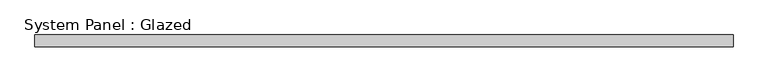
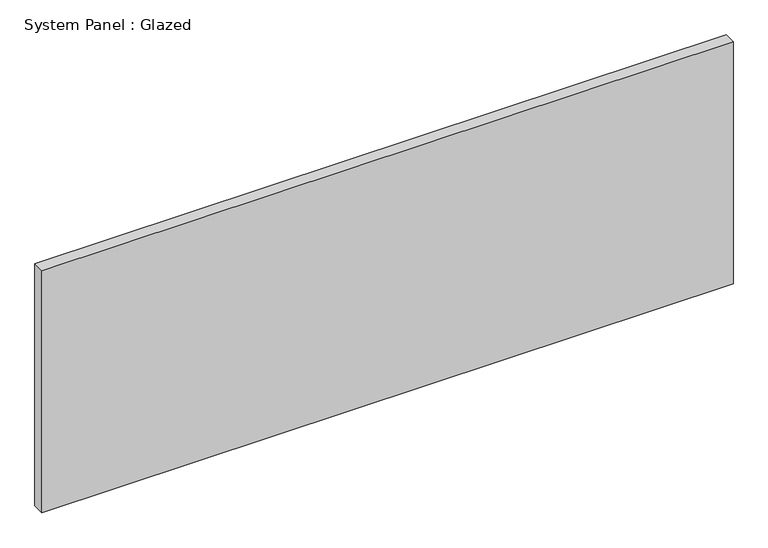
"""IFC4 building model written with IfcOpenShell, lengths in millimetres: plate geometry, System Panel : Glazed."""

from ifc_helpers import new_model, si_unit, origin, origin_with_axes, place, context, project, spatial, polyline, outline, extrude, source, transform, mapped, element, save


def system_panel_glazed_73f729df(model_context):
    return source(origin(), model_context, "Body", "SweptSolid", [
        extrude(outline(polyline([(746.125, -12.7), (-746.125, -12.7), (-746.125, 12.7), (746.125, 12.7), (746.125, -12.7)])), origin_with_axes(), (0.0, 0.0, 1.0), 552.45),
    ])


if __name__ == "__main__":
    model = new_model("IFC4")
    model_context = context("Model", 3, world=origin())
    ifc_project = project(units=[si_unit("LENGTHUNIT", "METRE", prefix="MILLI")], contexts=[model_context])
    site = spatial("IfcSite", under=ifc_project)
    building = spatial("IfcBuilding", under=site)
    placement = place(None, origin())
    system_panel_glazed_shape = system_panel_glazed_73f729df(model_context)
    element("IfcPlate", 1, ObjectType="System Panel : Glazed", at=placement, inside=building, context=model_context, shape_type="MappedRepresentation", body=[
        mapped(system_panel_glazed_shape, transform((0.0, 0.0, 0.0), x_axis=(1.0, 0.0, 0.0), y_axis=(0.0, 1.0, 0.0), z_axis=(0.0, 0.0, 1.0))),
    ])
    save(model, "model.ifc")
